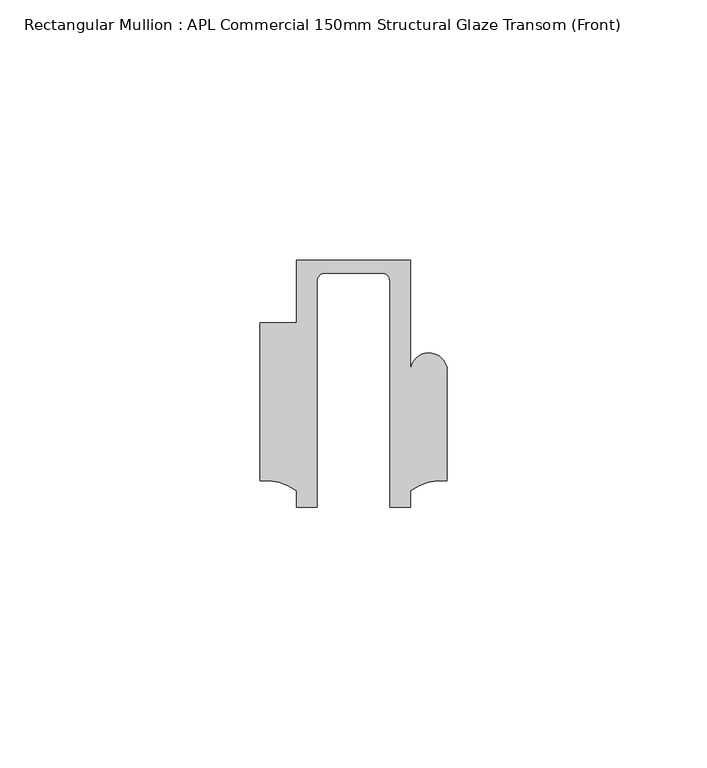
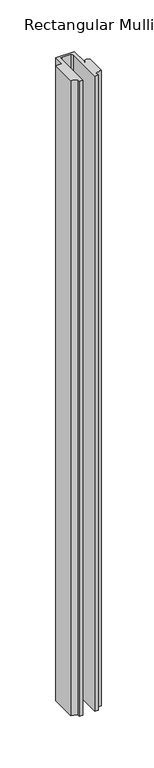
"""IFC4 building model written with IfcOpenShell, lengths in millimetres: member geometry, Rectangular Mullion : APL Commercial 150mm Structural Glaze Transom (Front)."""

from ifc_helpers import new_model, si_unit, frame, origin, place, context, project, spatial, polyline, circle_curve, source, transform, mapped, element, save
from ifc_brep_helpers import plane_surface, cylinder_surface, revolved_surface, advanced_brep


def rectangular_mullion_apl_commercial_150mm_structural_glaze_961bdabb(model_context):
    return source(origin(), model_context, "Body", "AdvancedBrep", [
        advanced_brep(
        [(-11.0000151, 27.0, 0.0), (-11.0000151, 15.0006281, 0.0), (-17.9999542, 15.0006281, 0.0), (-17.9999542, -15.3797475, 0.0), (-10.9999994, -17.3125325, 0.0), (-10.9999994, -20.5, 0.0), (-6.9999853, -20.5, 0.0), (-6.9999853, 22.9976091, 0.0), (-5.4999873, 24.5, 0.0), (5.4999872, 24.5, 0.0), (6.9999849, 22.9973451, 0.0), (6.9999849, -20.5, 0.0), (11.0000151, -20.5, 0.0), (11.0000151, -17.3125212, 0.0), (17.9999542, -15.3797475, 0.0), (17.9999542, 5.684606, 0.0), (11.001071, 5.5848769, 0.0), (11.001071, 27.0, 0.0), (-11.0000151, 27.0, -782.1423127), (11.001071, 27.0, -782.1423127), (11.001071, 5.5848769, -782.1423127), (17.9999091, 5.6750512, -782.1423127), (17.9999542, -15.3797475, -782.1423127), (11.0000151, -17.3125212, -782.1423127), (11.0000151, -20.5, -782.1423127), (6.9999849, -20.5, -782.1423127), (6.9999849, 22.9973451, -782.1423127), (5.4999872, 24.5, -782.1423127), (-5.4999873, 24.5, -782.1423127), (-6.9999853, 22.9976091, -782.1423127), (-6.9999853, -20.5, -782.1423127), (-10.9999994, -20.5, -782.1423127), (-10.9999994, -17.3125325, -782.1423127), (-17.9999542, -15.3797475, -782.1423127), (-17.9999542, 15.0006281, -782.1423127), (-11.0000151, 15.0006281, -782.1423127)],
        [
            (0, 1),
            (1, 2),
            (2, 3),
            (3, 4, circle_curve(frame((-17.109817, -25.7981812, 0.0), z_axis=(0.0, 0.0, -1.0), x_axis=(0.0, 1.0, 0.0)), 10.4563907)),
            (4, 5),
            (5, 6),
            (6, 7),
            (7, 8, circle_curve(frame((-5.4999873, 23.0, 0.0), z_axis=(0.0, 0.0, -1.0), x_axis=(2.7320010112268853e-08, 0.9999999999999997, 0.0)), 1.5)),
            (8, 9),
            (9, 10, circle_curve(frame((5.4999872, 23.0, 0.0), z_axis=(0.0, 0.0, -1.0), x_axis=(0.9999999999999986, -5.463622857820516e-08, 0.0)), 1.5)),
            (10, 11),
            (11, 12),
            (12, 13),
            (13, 14, circle_curve(frame((17.109817, -25.7981812, 0.0), z_axis=(0.0, 0.0, -1.0), x_axis=(0.0, 1.0, 0.0)), 10.4563907)),
            (14, 15),
            (15, 16, circle_curve(frame((14.4999091, 5.6750512, 0.0), z_axis=(0.0, 0.0, 1.0), x_axis=(-0.9999826028573957, -0.005898642432633649, 0.0)), 3.5)),
            (16, 17),
            (17, 0),
            (18, 19),
            (19, 20),
            (20, 21, circle_curve(frame((14.4999091, 5.6750512, -782.1423127), z_axis=(0.0, 0.0, -1.0), x_axis=(-0.9999826028573957, -0.005898642432633649, 0.0)), 3.5)),
            (21, 22),
            (22, 23, circle_curve(frame((17.109817, -25.7981812, -782.1423127), z_axis=(0.0, 0.0, 1.0), x_axis=(0.0, 1.0, 0.0)), 10.4563907)),
            (23, 24),
            (24, 25),
            (25, 26),
            (26, 27, circle_curve(frame((5.4999872, 23.0, -782.1423127), z_axis=(0.0, 0.0, 1.0), x_axis=(0.9999999999999986, -5.463622857820516e-08, 0.0)), 1.5)),
            (27, 28),
            (28, 29, circle_curve(frame((-5.4999873, 23.0, -782.1423127), z_axis=(0.0, 0.0, 1.0), x_axis=(2.7320010112268853e-08, 0.9999999999999997, 0.0)), 1.5)),
            (29, 30),
            (30, 31),
            (31, 32),
            (32, 33, circle_curve(frame((-17.109817, -25.7981812, -782.1423127), z_axis=(0.0, 0.0, 1.0), x_axis=(0.0, 1.0, 0.0)), 10.4563907)),
            (33, 34),
            (34, 35),
            (35, 18),
            (0, 18),
            (35, 1),
            (34, 2),
            (33, 3),
            (32, 4),
            (31, 5),
            (30, 6),
            (29, 7),
            (28, 8),
            (27, 9),
            (26, 10),
            (25, 11),
            (24, 12),
            (23, 13),
            (22, 14),
            (21, 15),
            (20, 16),
            (19, 17),
        ],
        [
            plane_surface(frame((0.0, -29.1551636, 0.0), z_axis=(0.0, 0.0, 1.0), x_axis=(-1.0, 0.0, 0.0))),
            plane_surface(frame((0.0, -29.1551636, -782.1423127), z_axis=(0.0, 0.0, -1.0), x_axis=(-1.0, 0.0, 0.0))),
            plane_surface(frame((-11.0000151, 27.0, 0.0), z_axis=(-1.0, 0.0, 0.0), x_axis=(0.0, 0.0, -1.0))),
            plane_surface(frame((-11.0000151, 15.0006281, 0.0), z_axis=(0.0, 1.0, 0.0), x_axis=(0.0, 0.0, -1.0))),
            plane_surface(frame((-17.9999542, 15.0006281, 0.0), z_axis=(-1.0, 0.0, 0.0), x_axis=(0.0, 0.0, -1.0))),
            revolved_surface(polyline([(-17.109817, -15.341790499999998, -782.1423127), (-17.109817, -15.341790499999998, 0.0)]), (-17.109817, -25.7981812, 0.0), (0.0, 0.0, -1.0)),
            plane_surface(frame((-10.9999994, -17.3125325, 0.0), z_axis=(-1.0, 0.0, 0.0), x_axis=(0.0, 0.0, -1.0))),
            plane_surface(frame((-10.9999994, -20.5, 0.0), z_axis=(0.0, -1.0, 0.0), x_axis=(0.0, 0.0, -1.0))),
            plane_surface(frame((-6.9999853, -20.5, 0.0), z_axis=(1.0, 0.0, 0.0), x_axis=(0.0, 0.0, -1.0))),
            revolved_surface(polyline([(-5.499987259019985, 24.5, -782.1423127), (-5.499987259019985, 24.5, 0.0)]), (-5.4999873, 23.0, 0.0), (0.0, 0.0, -1.0)),
            plane_surface(frame((-5.4999873, 24.5, 0.0), z_axis=(0.0, -1.0, 0.0), x_axis=(0.0, 0.0, -1.0))),
            revolved_surface(polyline([(6.999987199999998, 22.999999918045656, -782.1423127), (6.999987199999998, 22.999999918045656, 0.0)]), (5.4999872, 23.0, 0.0), (0.0, 0.0, -1.0)),
            plane_surface(frame((6.9999849, 22.9973451, 0.0), z_axis=(-1.0, 0.0, 0.0), x_axis=(0.0, 0.0, -1.0))),
            plane_surface(frame((6.9999849, -20.5, 0.0), z_axis=(0.0, -1.0, 0.0), x_axis=(0.0, 0.0, -1.0))),
            plane_surface(frame((11.0000151, -20.5, 0.0), z_axis=(1.0, 0.0, 0.0), x_axis=(0.0, 0.0, -1.0))),
            revolved_surface(polyline([(17.109817, -15.341790499999998, -782.1423127), (17.109817, -15.341790499999998, 0.0)]), (17.109817, -25.7981812, 0.0), (0.0, 0.0, -1.0)),
            plane_surface(frame((17.9999542, -15.3797475, 0.0), z_axis=(1.0, 0.0, 0.0), x_axis=(0.0, 0.0, -1.0))),
            cylinder_surface(frame((14.4999091, 5.6750512, 0.0), z_axis=(0.0, 0.0, 1.0), x_axis=(-0.9999826028573957, -0.005898642432633649, 0.0)), 3.5),
            plane_surface(frame((11.001071, 5.5848769, 0.0), z_axis=(1.0, 0.0, 0.0), x_axis=(0.0, 0.0, -1.0))),
            plane_surface(frame((11.001071, 27.0, 0.0), z_axis=(0.0, 1.0, 0.0), x_axis=(0.0, 0.0, -1.0))),
        ],
        [
            (0, [[1, 2, 3, 4, 5, 6, 7, 8, 9, 10, 11, 12, 13, 14, 15, 16, 17, 18]]),
            (1, [[19, 20, 21, 22, 23, 24, 25, 26, 27, 28, 29, 30, 31, 32, 33, 34, 35, 36]]),
            (2, [[-1, 37, -36, 38]]),
            (3, [[-2, -38, -35, 39]]),
            (4, [[-3, -39, -34, 40]]),
            (5, [[-4, -40, -33, 41]]),
            (6, [[-5, -41, -32, 42]]),
            (7, [[-6, -42, -31, 43]]),
            (8, [[-7, -43, -30, 44]]),
            (9, [[-8, -44, -29, 45]]),
            (10, [[-9, -45, -28, 46]]),
            (11, [[-10, -46, -27, 47]]),
            (12, [[-11, -47, -26, 48]]),
            (13, [[-12, -48, -25, 49]]),
            (14, [[-13, -49, -24, 50]]),
            (15, [[-14, -50, -23, 51]]),
            (16, [[-15, -51, -22, 52]]),
            (17, [[-16, -52, -21, 53]]),
            (18, [[-17, -53, -20, 54]]),
            (19, [[-18, -54, -19, -37]]),
        ],
    ),
    ])


if __name__ == "__main__":
    model = new_model("IFC4")
    model_context = context("Model", 3, world=origin())
    ifc_project = project(units=[si_unit("LENGTHUNIT", "METRE", prefix="MILLI")], contexts=[model_context])
    site = spatial("IfcSite", under=ifc_project)
    building = spatial("IfcBuilding", under=site)
    placement = place(None, origin())
    rectangular_mullion_apl_commercial_150mm_structural_glaze_shape = rectangular_mullion_apl_commercial_150mm_structural_glaze_961bdabb(model_context)
    element("IfcMember", 1, ObjectType="Rectangular Mullion : APL Commercial 150mm Structural Glaze Transom (Front)", at=placement, inside=building, context=model_context, shape_type="MappedRepresentation", body=[
        mapped(rectangular_mullion_apl_commercial_150mm_structural_glaze_shape, transform((0.0, 0.0, 0.0), x_axis=(1.0, 0.0, 0.0), y_axis=(0.0, 1.0, 0.0), z_axis=(0.0, 0.0, 1.0))),
    ])
    save(model, "model.ifc")
